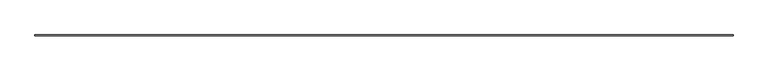
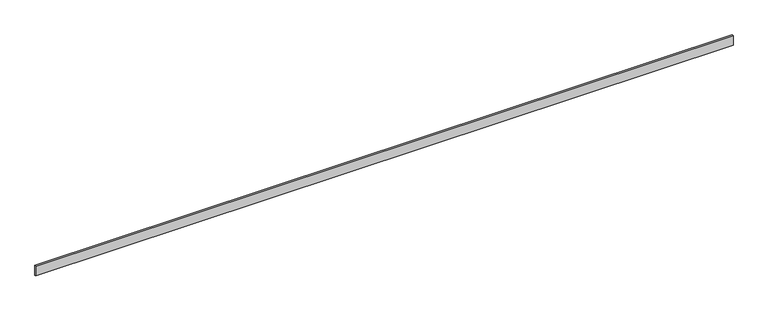
"""IFC4 building model written with IfcOpenShell, lengths in millimetres: furniture geometry."""

import ifcopenshell
import ifcopenshell.guid

model = None  # the IFC model being written
_history = None  # IfcOwnerHistory: only IFC2X3 demands one
_inside = {}  # id of a spatial element -> (the spatial element, [elements in it])
_under = {}  # id of a project, library or spatial element -> (it, [spatial elements below it])
_declared = {}  # id of a project -> (the project, [libraries it declares])
_typed = {}  # id of a type object -> (the type object, [elements of that type])
_made_of = {}  # id of a material, layer set ... -> (it, [elements and type objects made of it])


def new_model(schema):
    """Start an empty IFC model of exactly this schema.

    Asked for "IFC4X3", IfcOpenShell would pick the latest addendum, in which some entities
    have other attributes; the version numbers below select the first issue.
    IFC2X3 requires an IfcOwnerHistory on every rooted entity: one is made here for all.
    """
    global model, _history
    if schema == "IFC4X3":
        model = ifcopenshell.file(schema_version=(4, 3, 0, 0))
    else:
        model = ifcopenshell.file(schema=schema)
    _inside.clear()
    _under.clear()
    _declared.clear()
    _typed.clear()
    _made_of.clear()
    _history = None
    if model.schema == "IFC2X3":
        org = make("IfcOrganization", Name="unknown")
        user = make(
            "IfcPersonAndOrganization",
            ThePerson=make("IfcPerson", FamilyName="unknown"),
            TheOrganization=org,
        )
        app = make(
            "IfcApplication",
            ApplicationDeveloper=org,
            Version="unknown",
            ApplicationFullName="unknown",
            ApplicationIdentifier="unknown",
        )
        _history = make(
            "IfcOwnerHistory",
            OwningUser=user,
            OwningApplication=app,
            ChangeAction="ADDED",
            CreationDate=0,
        )
    return model


def make(cls, **values):
    """One entity of the class cls with the attributes given. An attribute that is None is left unset."""
    return model.create_entity(
        cls, **{name: value for name, value in values.items() if value is not None}
    )


def rooted(cls, **values):
    """An entity with a GlobalId (a new one), such as an element, a storey or a relation."""
    return make(cls, GlobalId=ifcopenshell.guid.new(), OwnerHistory=_history, **values)


def si_unit(unit_type, name, prefix=None):
    """IfcSIUnit, for example si_unit("LENGTHUNIT", "METRE", prefix="MILLI")."""
    return make("IfcSIUnit", UnitType=unit_type, Prefix=prefix, Name=name)


def assignment(units):
    """IfcUnitAssignment: the units of a project."""
    return None if units is None else make("IfcUnitAssignment", Units=units)


def point(xyz):
    """IfcCartesianPoint."""
    return None if xyz is None else make("IfcCartesianPoint", Coordinates=xyz)


def direction(xyz):
    """IfcDirection."""
    return None if xyz is None else make("IfcDirection", DirectionRatios=xyz)


def frame(location, z_axis=None, x_axis=None):
    """IfcAxis2Placement3D, a coordinate frame: its origin and axes. An axis left out is left unset."""
    return make(
        "IfcAxis2Placement3D",
        Location=point(location),
        Axis=direction(z_axis),
        RefDirection=direction(x_axis),
    )


def origin():
    """The frame at (0, 0, 0) with its axes left unset."""
    return frame((0.0, 0.0, 0.0))


def origin_with_axes():
    """The frame at (0, 0, 0) with the z axis (0, 0, 1) and the x axis (1, 0, 0) written out."""
    return frame((0.0, 0.0, 0.0), z_axis=(0.0, 0.0, 1.0), x_axis=(1.0, 0.0, 0.0))


def place(relative_to, where):
    """IfcLocalPlacement: puts the frame where relative to a parent placement (None: the world)."""
    return make(
        "IfcLocalPlacement", PlacementRelTo=relative_to, RelativePlacement=where
    )


def context(
    kind, dimensions, precision=None, world=None, true_north=None, identifier=None
):
    """IfcGeometricRepresentationContext, for example the 3D "Model" context."""
    return make(
        "IfcGeometricRepresentationContext",
        ContextIdentifier=identifier,
        ContextType=kind,
        CoordinateSpaceDimension=dimensions,
        Precision=precision,
        WorldCoordinateSystem=world,
        TrueNorth=true_north,
    )


def project(units=None, contexts=None):
    """IfcProject with its units and contexts."""
    return rooted(
        "IfcProject",
        Name="project",
        RepresentationContexts=contexts,
        UnitsInContext=assignment(units),
    )


def spatial(cls, under=None, at=None, **own):
    """A site, building, storey or space (cls), placed at a placement, below another one or the project."""
    s = rooted(cls, ObjectPlacement=at, **own)
    if under is not None:
        _under.setdefault(under.id(), (under, []))[1].append(s)
    return s


def polyline(points):
    """IfcPolyline through the points."""
    return make("IfcPolyline", Points=[point(p) for p in points])


def outline(outer, holes=None, kind="AREA"):
    """IfcArbitraryClosedProfileDef: a profile drawn as a closed curve; with holes, ...WithVoids."""
    if holes is None:
        return make("IfcArbitraryClosedProfileDef", ProfileType=kind, OuterCurve=outer)
    return make(
        "IfcArbitraryProfileDefWithVoids",
        ProfileType=kind,
        OuterCurve=outer,
        InnerCurves=holes,
    )


def extrude(swept, where, along, depth):
    """IfcExtrudedAreaSolid: the profile swept, set in the frame where, extruded along a direction by depth."""
    return make(
        "IfcExtrudedAreaSolid",
        SweptArea=swept,
        Position=where,
        ExtrudedDirection=direction(along),
        Depth=depth,
    )


def shape(context_of_items, identifier, shape_type, items):
    """IfcShapeRepresentation: the items that make up one representation, for example the "Body"."""
    return make(
        "IfcShapeRepresentation",
        ContextOfItems=context_of_items,
        RepresentationIdentifier=identifier,
        RepresentationType=shape_type,
        Items=items,
    )


def source(mapping_origin, context_of_items, identifier, shape_type, items):
    """IfcRepresentationMap: a shape defined once, which mapped items show again and again."""
    return make(
        "IfcRepresentationMap",
        MappingOrigin=mapping_origin,
        MappedRepresentation=shape(context_of_items, identifier, shape_type, items),
    )


def transform(
    local_origin,
    x_axis=None,
    y_axis=None,
    z_axis=None,
    scale=None,
    scale2=None,
    scale3=None,
    uniform=True,
):
    """IfcCartesianTransformationOperator3D, or its non-uniform kind. x_axis, y_axis, z_axis: its Axis1, 2, 3."""
    if uniform:
        return make(
            "IfcCartesianTransformationOperator3D",
            Axis1=direction(x_axis),
            Axis2=direction(y_axis),
            LocalOrigin=point(local_origin),
            Scale=scale,
            Axis3=direction(z_axis),
        )
    return make(
        "IfcCartesianTransformationOperator3DnonUniform",
        Axis1=direction(x_axis),
        Axis2=direction(y_axis),
        LocalOrigin=point(local_origin),
        Scale=scale,
        Axis3=direction(z_axis),
        Scale2=scale2,
        Scale3=scale3,
    )


def mapped(mapping_source, mapping_target):
    """IfcMappedItem: shows the shape of a source again, moved by a transform."""
    return make(
        "IfcMappedItem", MappingSource=mapping_source, MappingTarget=mapping_target
    )


def made_of(thing, what):
    """Note that an element or type object is made of a material, layer set ...; save() writes the relation."""
    if what is not None:
        _made_of.setdefault(what.id(), (what, []))[1].append(thing)
    return thing


def element(
    cls,
    number,
    at=None,
    inside=None,
    cuts=None,
    type_object=None,
    material=None,
    context=None,
    identifier="Body",
    shape_type=None,
    held_by="IfcProductDefinitionShape",
    body=None,
    shapes=None,
    **own,
):
    """One element of the class cls, such as IfcWall. Its Tag is "e" and its number.

    at: its placement. inside: the storey or other place that contains it. cuts: it is an
    opening in that element (IfcRelVoidsElement). A single representation is given by context,
    identifier, shape_type and body (its items); several are given by shapes. held_by: the class
    of the entity that holds the representations. save() writes the other relations.
    """
    e = rooted(cls, Tag="e%d" % number, ObjectPlacement=at, **own)
    if body is not None:
        shapes = [shape(context, identifier, shape_type, body)]
    if shapes is not None:
        e.Representation = make(held_by, Representations=shapes)
    if inside is not None:
        _inside.setdefault(inside.id(), (inside, []))[1].append(e)
    if cuts is not None:
        rooted(
            "IfcRelVoidsElement", RelatingBuildingElement=cuts, RelatedOpeningElement=e
        )
    if type_object is not None:
        _typed.setdefault(type_object.id(), (type_object, []))[1].append(e)
    return made_of(e, material)


def aggregate(whole, parts):
    """IfcRelAggregates: a whole, such as a stair, and the parts it consists of."""
    return rooted("IfcRelAggregates", RelatingObject=whole, RelatedObjects=parts)


def save(model, path):
    """Write the relations noted so far, then the file.

    IfcRelAggregates (storeys below a building ...), IfcRelContainedInSpatialStructure (elements
    in a storey), IfcRelDefinesByType, IfcRelAssociatesMaterial and IfcRelDeclares: one each for
    every whole, place, type object, material and project.
    """
    for whole, parts in _under.values():
        aggregate(whole, parts)
    for where, things in _inside.values():
        rooted(
            "IfcRelContainedInSpatialStructure",
            RelatedElements=things,
            RelatingStructure=where,
        )
    for kind, things in _typed.values():
        rooted("IfcRelDefinesByType", RelatedObjects=things, RelatingType=kind)
    for what, things in _made_of.values():
        rooted("IfcRelAssociatesMaterial", RelatedObjects=things, RelatingMaterial=what)
    for by, libraries in _declared.values():
        rooted("IfcRelDeclares", RelatingContext=by, RelatedDefinitions=libraries)
    model.write(path)


def furniture_2cb58419(model_context):
    return source(origin(), model_context, "Body", "SweptSolid", [
        extrude(outline(polyline([(0.0, 0.0), (0.0, 10.0), (6746.6585757, 10.0), (6746.6585757, 0.0), (0.0, 0.0)])), origin_with_axes(), (0.0, 0.0, 1.0), 100.0),
    ])


if __name__ == "__main__":
    model = new_model("IFC4")
    model_context = context("Model", 3, world=origin())
    ifc_project = project(units=[si_unit("LENGTHUNIT", "METRE", prefix="MILLI")], contexts=[model_context])
    site = spatial("IfcSite", under=ifc_project)
    building = spatial("IfcBuilding", under=site)
    placement = place(None, origin())
    furniture_shape = furniture_2cb58419(model_context)
    element("IfcFurniture", 1, at=placement, inside=building, context=model_context, shape_type="MappedRepresentation", body=[
        mapped(furniture_shape, transform((0.0, 0.0, 0.0), x_axis=(1.0, 0.0, 0.0), y_axis=(0.0, 1.0, 0.0), z_axis=(0.0, 0.0, 1.0))),
    ])
    save(model, "model.ifc")
